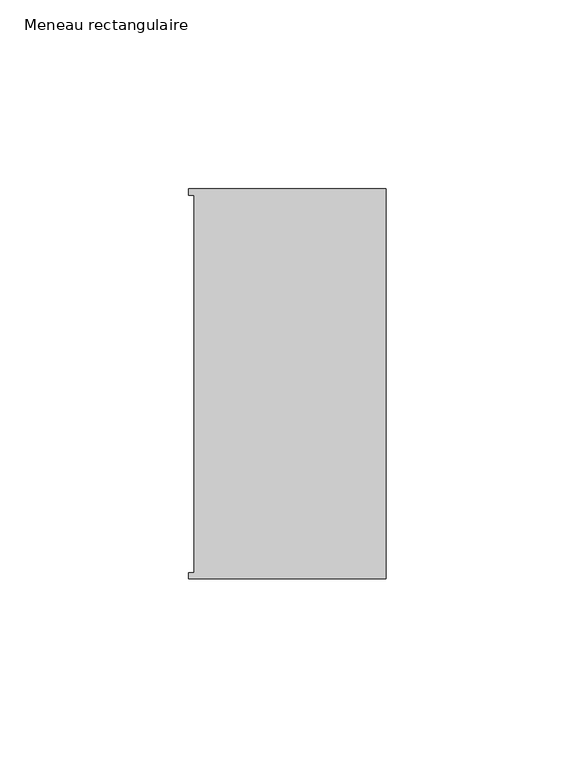
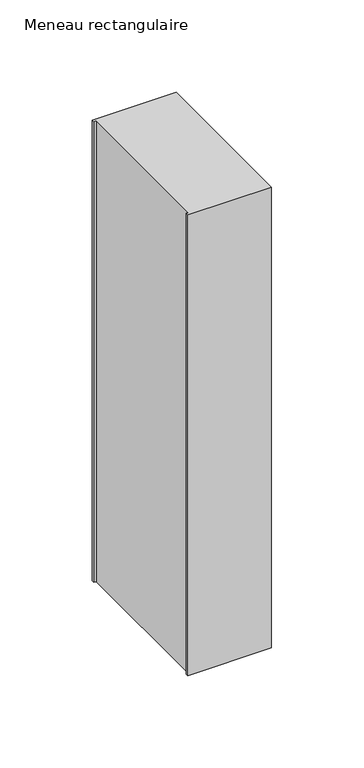
"""IFC4 building model written with IfcOpenShell, lengths in millimetres: member geometry, Meneau rectangulaire."""

from ifc_helpers import new_model, si_unit, frame, origin, place, context, project, spatial, polyline, outline, extrude, source, transform, mapped, element, save


def meneau_rectangulaire_1a9ddab9(model_context):
    return source(origin(), model_context, "Body", "SweptSolid", [
        extrude(outline(polyline([(-52.3, 51.6531441), (0.0, 51.6531441), (0.0, -51.6130012), (-52.3, -51.6130012), (-52.3, -49.9174099), (-50.9, -49.9174099), (-50.9, 49.9174073), (-52.3, 49.9174073), (-52.3, 51.6531441)])), frame((0.0, 0.0, -304.5555092), z_axis=(0.0, 0.0, 1.0), x_axis=(1.0, 0.0, 0.0)), (0.0, 0.0, 1.0), 304.5555092),
    ])


if __name__ == "__main__":
    model = new_model("IFC4")
    model_context = context("Model", 3, world=origin())
    ifc_project = project(units=[si_unit("LENGTHUNIT", "METRE", prefix="MILLI")], contexts=[model_context])
    site = spatial("IfcSite", under=ifc_project)
    building = spatial("IfcBuilding", under=site)
    placement = place(None, origin())
    meneau_rectangulaire_shape = meneau_rectangulaire_1a9ddab9(model_context)
    element("IfcMember", 1, ObjectType="Meneau rectangulaire", at=placement, inside=building, context=model_context, shape_type="MappedRepresentation", body=[
        mapped(meneau_rectangulaire_shape, transform((0.0, 0.0, 0.0), x_axis=(1.0, 0.0, 0.0), y_axis=(0.0, 1.0, 0.0), z_axis=(0.0, 0.0, 1.0))),
    ])
    save(model, "model.ifc")
